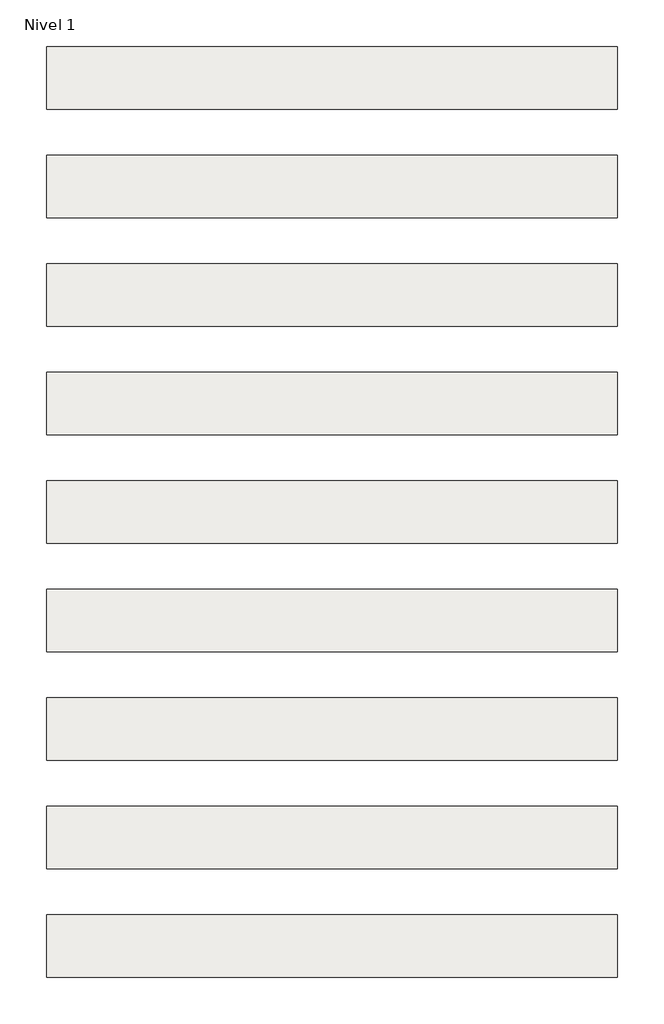
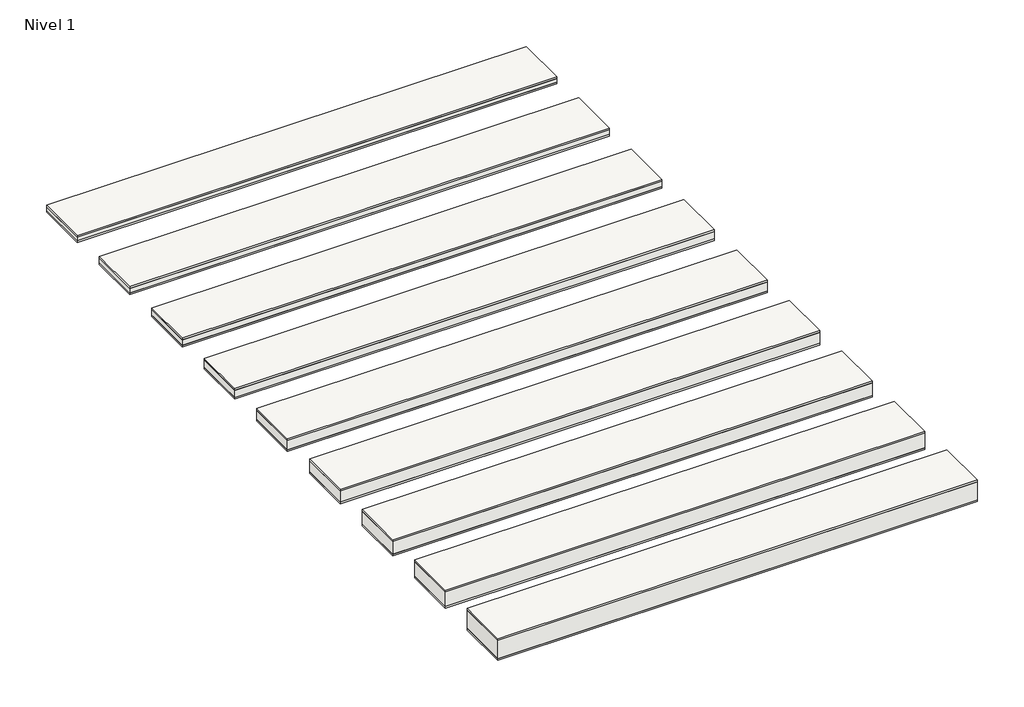
# One storey: 9 roofs.
"""IFC4 building model written with IfcOpenShell, lengths in millimetres."""

import ifcopenshell
import ifcopenshell.guid

model = None  # the IFC model being written
_history = None  # IfcOwnerHistory: only IFC2X3 demands one
_inside = {}  # id of a spatial element -> (the spatial element, [elements in it])
_under = {}  # id of a project, library or spatial element -> (it, [spatial elements below it])
_declared = {}  # id of a project -> (the project, [libraries it declares])
_typed = {}  # id of a type object -> (the type object, [elements of that type])
_made_of = {}  # id of a material, layer set ... -> (it, [elements and type objects made of it])


def new_model(schema):
    """Start an empty IFC model of exactly this schema.

    Asked for "IFC4X3", IfcOpenShell would pick the latest addendum, in which some entities
    have other attributes; the version numbers below select the first issue.
    IFC2X3 requires an IfcOwnerHistory on every rooted entity: one is made here for all.
    """
    global model, _history
    if schema == "IFC4X3":
        model = ifcopenshell.file(schema_version=(4, 3, 0, 0))
    else:
        model = ifcopenshell.file(schema=schema)
    _inside.clear()
    _under.clear()
    _declared.clear()
    _typed.clear()
    _made_of.clear()
    _history = None
    if model.schema == "IFC2X3":
        org = make("IfcOrganization", Name="unknown")
        user = make(
            "IfcPersonAndOrganization",
            ThePerson=make("IfcPerson", FamilyName="unknown"),
            TheOrganization=org,
        )
        app = make(
            "IfcApplication",
            ApplicationDeveloper=org,
            Version="unknown",
            ApplicationFullName="unknown",
            ApplicationIdentifier="unknown",
        )
        _history = make(
            "IfcOwnerHistory",
            OwningUser=user,
            OwningApplication=app,
            ChangeAction="ADDED",
            CreationDate=0,
        )
    return model


def make(cls, **values):
    """One entity of the class cls with the attributes given. An attribute that is None is left unset."""
    return model.create_entity(
        cls, **{name: value for name, value in values.items() if value is not None}
    )


def rooted(cls, **values):
    """An entity with a GlobalId (a new one), such as an element, a storey or a relation."""
    return make(cls, GlobalId=ifcopenshell.guid.new(), OwnerHistory=_history, **values)


def si_unit(unit_type, name, prefix=None):
    """IfcSIUnit, for example si_unit("LENGTHUNIT", "METRE", prefix="MILLI")."""
    return make("IfcSIUnit", UnitType=unit_type, Prefix=prefix, Name=name)


def assignment(units):
    """IfcUnitAssignment: the units of a project."""
    return None if units is None else make("IfcUnitAssignment", Units=units)


def point(xyz):
    """IfcCartesianPoint."""
    return None if xyz is None else make("IfcCartesianPoint", Coordinates=xyz)


def direction(xyz):
    """IfcDirection."""
    return None if xyz is None else make("IfcDirection", DirectionRatios=xyz)


def frame(location, z_axis=None, x_axis=None):
    """IfcAxis2Placement3D, a coordinate frame: its origin and axes. An axis left out is left unset."""
    return make(
        "IfcAxis2Placement3D",
        Location=point(location),
        Axis=direction(z_axis),
        RefDirection=direction(x_axis),
    )


def origin():
    """The frame at (0, 0, 0) with its axes left unset."""
    return frame((0.0, 0.0, 0.0))


def origin_with_axes():
    """The frame at (0, 0, 0) with the z axis (0, 0, 1) and the x axis (1, 0, 0) written out."""
    return frame((0.0, 0.0, 0.0), z_axis=(0.0, 0.0, 1.0), x_axis=(1.0, 0.0, 0.0))


def place(relative_to, where):
    """IfcLocalPlacement: puts the frame where relative to a parent placement (None: the world)."""
    return make(
        "IfcLocalPlacement", PlacementRelTo=relative_to, RelativePlacement=where
    )


def context(
    kind, dimensions, precision=None, world=None, true_north=None, identifier=None
):
    """IfcGeometricRepresentationContext, for example the 3D "Model" context."""
    return make(
        "IfcGeometricRepresentationContext",
        ContextIdentifier=identifier,
        ContextType=kind,
        CoordinateSpaceDimension=dimensions,
        Precision=precision,
        WorldCoordinateSystem=world,
        TrueNorth=true_north,
    )


def project(units=None, contexts=None):
    """IfcProject with its units and contexts."""
    return rooted(
        "IfcProject",
        Name="project",
        RepresentationContexts=contexts,
        UnitsInContext=assignment(units),
    )


def spatial(cls, under=None, at=None, **own):
    """A site, building, storey or space (cls), placed at a placement, below another one or the project."""
    s = rooted(cls, ObjectPlacement=at, **own)
    if under is not None:
        _under.setdefault(under.id(), (under, []))[1].append(s)
    return s


def polyline(points):
    """IfcPolyline through the points."""
    return make("IfcPolyline", Points=[point(p) for p in points])


def outline(outer, holes=None, kind="AREA"):
    """IfcArbitraryClosedProfileDef: a profile drawn as a closed curve; with holes, ...WithVoids."""
    if holes is None:
        return make("IfcArbitraryClosedProfileDef", ProfileType=kind, OuterCurve=outer)
    return make(
        "IfcArbitraryProfileDefWithVoids",
        ProfileType=kind,
        OuterCurve=outer,
        InnerCurves=holes,
    )


def extrude(swept, where, along, depth):
    """IfcExtrudedAreaSolid: the profile swept, set in the frame where, extruded along a direction by depth."""
    return make(
        "IfcExtrudedAreaSolid",
        SweptArea=swept,
        Position=where,
        ExtrudedDirection=direction(along),
        Depth=depth,
    )


def shape(context_of_items, identifier, shape_type, items):
    """IfcShapeRepresentation: the items that make up one representation, for example the "Body"."""
    return make(
        "IfcShapeRepresentation",
        ContextOfItems=context_of_items,
        RepresentationIdentifier=identifier,
        RepresentationType=shape_type,
        Items=items,
    )


def made_of(thing, what):
    """Note that an element or type object is made of a material, layer set ...; save() writes the relation."""
    if what is not None:
        _made_of.setdefault(what.id(), (what, []))[1].append(thing)
    return thing


def element(
    cls,
    number,
    at=None,
    inside=None,
    cuts=None,
    type_object=None,
    material=None,
    context=None,
    identifier="Body",
    shape_type=None,
    held_by="IfcProductDefinitionShape",
    body=None,
    shapes=None,
    **own,
):
    """One element of the class cls, such as IfcWall. Its Tag is "e" and its number.

    at: its placement. inside: the storey or other place that contains it. cuts: it is an
    opening in that element (IfcRelVoidsElement). A single representation is given by context,
    identifier, shape_type and body (its items); several are given by shapes. held_by: the class
    of the entity that holds the representations. save() writes the other relations.
    """
    e = rooted(cls, Tag="e%d" % number, ObjectPlacement=at, **own)
    if body is not None:
        shapes = [shape(context, identifier, shape_type, body)]
    if shapes is not None:
        e.Representation = make(held_by, Representations=shapes)
    if inside is not None:
        _inside.setdefault(inside.id(), (inside, []))[1].append(e)
    if cuts is not None:
        rooted(
            "IfcRelVoidsElement", RelatingBuildingElement=cuts, RelatedOpeningElement=e
        )
    if type_object is not None:
        _typed.setdefault(type_object.id(), (type_object, []))[1].append(e)
    return made_of(e, material)


def aggregate(whole, parts):
    """IfcRelAggregates: a whole, such as a stair, and the parts it consists of."""
    return rooted("IfcRelAggregates", RelatingObject=whole, RelatedObjects=parts)


def save(model, path):
    """Write the relations noted so far, then the file.

    IfcRelAggregates (storeys below a building ...), IfcRelContainedInSpatialStructure (elements
    in a storey), IfcRelDefinesByType, IfcRelAssociatesMaterial and IfcRelDeclares: one each for
    every whole, place, type object, material and project.
    """
    for whole, parts in _under.values():
        aggregate(whole, parts)
    for where, things in _inside.values():
        rooted(
            "IfcRelContainedInSpatialStructure",
            RelatedElements=things,
            RelatingStructure=where,
        )
    for kind, things in _typed.values():
        rooted("IfcRelDefinesByType", RelatedObjects=things, RelatingType=kind)
    for what, things in _made_of.values():
        rooted("IfcRelAssociatesMaterial", RelatedObjects=things, RelatingMaterial=what)
    for by, libraries in _declared.values():
        rooted("IfcRelDeclares", RelatingContext=by, RelatedDefinitions=libraries)
    model.write(path)


model = new_model("IFC4")

# Units and contexts
model_context = context("Model", 3, world=origin())
ifc_project = project(units=[si_unit("LENGTHUNIT", "METRE", prefix="MILLI")], contexts=[model_context])

# Site, building, storey
site = spatial("IfcSite", under=ifc_project)
building = spatial("IfcBuilding", under=site)
storey = spatial("IfcBuildingStorey", under=building, Name="Nivel 1", Elevation=0.0)

# Roofs
placement = place(None, origin())
element("IfcRoof", 1, at=placement, inside=storey, context=model_context, shape_type="SweptSolid", body=[
    extrude(outline(polyline([(-3824.6699095, -6894.5376473), (1175.3300905, -6894.5376473), (1175.3300905, -7444.5376473), (-3824.6699095, -7444.5376473), (-3824.6699095, -6894.5376473)])), frame((0.0, 0.0, 69.0), z_axis=(0.0, 0.0, 1.0), x_axis=(1.0, 0.0, 0.0)), (0.0, 0.0, 1.0), 19.0),
    extrude(outline(polyline([(-3824.6699095, -6894.5376473), (1175.3300905, -6894.5376473), (1175.3300905, -7444.5376473), (-3824.6699095, -7444.5376473), (-3824.6699095, -6894.5376473)])), frame((0.0, 0.0, 19.0), z_axis=(0.0, 0.0, 1.0), x_axis=(1.0, 0.0, 0.0)), (0.0, 0.0, 1.0), 50.0),
    extrude(outline(polyline([(-3824.6699095, -6894.5376473), (1175.3300905, -6894.5376473), (1175.3300905, -7444.5376473), (-3824.6699095, -7444.5376473), (-3824.6699095, -6894.5376473)])), origin_with_axes(), (0.0, 0.0, 1.0), 19.0),
])
element("IfcRoof", 2, at=placement, inside=storey, context=model_context, shape_type="SweptSolid", body=[
    extrude(outline(polyline([(-3824.6699095, -5944.5376473), (1175.3300905, -5944.5376473), (1175.3300905, -6494.5376473), (-3824.6699095, -6494.5376473), (-3824.6699095, -5944.5376473)])), frame((0.0, 0.0, 59.0), z_axis=(0.0, 0.0, 1.0), x_axis=(1.0, 0.0, 0.0)), (0.0, 0.0, 1.0), 19.0),
    extrude(outline(polyline([(-3824.6699095, -5944.5376473), (1175.3300905, -5944.5376473), (1175.3300905, -6494.5376473), (-3824.6699095, -6494.5376473), (-3824.6699095, -5944.5376473)])), frame((0.0, 0.0, 19.0), z_axis=(0.0, 0.0, 1.0), x_axis=(1.0, 0.0, 0.0)), (0.0, 0.0, 1.0), 40.0),
    extrude(outline(polyline([(-3824.6699095, -5944.5376473), (1175.3300905, -5944.5376473), (1175.3300905, -6494.5376473), (-3824.6699095, -6494.5376473), (-3824.6699095, -5944.5376473)])), origin_with_axes(), (0.0, 0.0, 1.0), 19.0),
])
element("IfcRoof", 3, at=placement, inside=storey, context=model_context, shape_type="SweptSolid", body=[
    extrude(outline(polyline([(-3824.6699095, -7844.5376473), (1175.3300905, -7844.5376473), (1175.3300905, -8394.5376473), (-3824.6699095, -8394.5376473), (-3824.6699095, -7844.5376473)])), frame((0.0, 0.0, 79.0), z_axis=(0.0, 0.0, 1.0), x_axis=(1.0, 0.0, 0.0)), (0.0, 0.0, 1.0), 19.0),
    extrude(outline(polyline([(-3824.6699095, -7844.5376473), (1175.3300905, -7844.5376473), (1175.3300905, -8394.5376473), (-3824.6699095, -8394.5376473), (-3824.6699095, -7844.5376473)])), frame((0.0, 0.0, 19.0), z_axis=(0.0, 0.0, 1.0), x_axis=(1.0, 0.0, 0.0)), (0.0, 0.0, 1.0), 60.0),
    extrude(outline(polyline([(-3824.6699095, -7844.5376473), (1175.3300905, -7844.5376473), (1175.3300905, -8394.5376473), (-3824.6699095, -8394.5376473), (-3824.6699095, -7844.5376473)])), origin_with_axes(), (0.0, 0.0, 1.0), 19.0),
])
element("IfcRoof", 4, at=placement, inside=storey, context=model_context, shape_type="SweptSolid", body=[
    extrude(outline(polyline([(-3824.6699095, -8794.5376473), (1175.3300905, -8794.5376473), (1175.3300905, -9344.5376473), (-3824.6699095, -9344.5376473), (-3824.6699095, -8794.5376473)])), frame((0.0, 0.0, 99.0), z_axis=(0.0, 0.0, 1.0), x_axis=(1.0, 0.0, 0.0)), (0.0, 0.0, 1.0), 19.0),
    extrude(outline(polyline([(-3824.6699095, -8794.5376473), (1175.3300905, -8794.5376473), (1175.3300905, -9344.5376473), (-3824.6699095, -9344.5376473), (-3824.6699095, -8794.5376473)])), frame((0.0, 0.0, 19.0), z_axis=(0.0, 0.0, 1.0), x_axis=(1.0, 0.0, 0.0)), (0.0, 0.0, 1.0), 80.0),
    extrude(outline(polyline([(-3824.6699095, -8794.5376473), (1175.3300905, -8794.5376473), (1175.3300905, -9344.5376473), (-3824.6699095, -9344.5376473), (-3824.6699095, -8794.5376473)])), origin_with_axes(), (0.0, 0.0, 1.0), 19.0),
])
element("IfcRoof", 5, at=placement, inside=storey, context=model_context, shape_type="SweptSolid", body=[
    extrude(outline(polyline([(-3824.6699095, -9744.5376473), (1175.3300905, -9744.5376473), (1175.3300905, -10294.5376473), (-3824.6699095, -10294.5376473), (-3824.6699095, -9744.5376473)])), frame((0.0, 0.0, 119.0), z_axis=(0.0, 0.0, 1.0), x_axis=(1.0, 0.0, 0.0)), (0.0, 0.0, 1.0), 19.0),
    extrude(outline(polyline([(-3824.6699095, -9744.5376473), (1175.3300905, -9744.5376473), (1175.3300905, -10294.5376473), (-3824.6699095, -10294.5376473), (-3824.6699095, -9744.5376473)])), frame((0.0, 0.0, 19.0), z_axis=(0.0, 0.0, 1.0), x_axis=(1.0, 0.0, 0.0)), (0.0, 0.0, 1.0), 100.0),
    extrude(outline(polyline([(-3824.6699095, -9744.5376473), (1175.3300905, -9744.5376473), (1175.3300905, -10294.5376473), (-3824.6699095, -10294.5376473), (-3824.6699095, -9744.5376473)])), origin_with_axes(), (0.0, 0.0, 1.0), 19.0),
])
element("IfcRoof", 6, at=placement, inside=storey, context=model_context, shape_type="SweptSolid", body=[
    extrude(outline(polyline([(-3824.6699095, -10694.5376473), (1175.3300905, -10694.5376473), (1175.3300905, -11244.5376473), (-3824.6699095, -11244.5376473), (-3824.6699095, -10694.5376473)])), frame((0.0, 0.0, 139.0), z_axis=(0.0, 0.0, 1.0), x_axis=(1.0, 0.0, 0.0)), (0.0, 0.0, 1.0), 19.0),
    extrude(outline(polyline([(-3824.6699095, -10694.5376473), (1175.3300905, -10694.5376473), (1175.3300905, -11244.5376473), (-3824.6699095, -11244.5376473), (-3824.6699095, -10694.5376473)])), frame((0.0, 0.0, 19.0), z_axis=(0.0, 0.0, 1.0), x_axis=(1.0, 0.0, 0.0)), (0.0, 0.0, 1.0), 120.0),
    extrude(outline(polyline([(-3824.6699095, -10694.5376473), (1175.3300905, -10694.5376473), (1175.3300905, -11244.5376473), (-3824.6699095, -11244.5376473), (-3824.6699095, -10694.5376473)])), origin_with_axes(), (0.0, 0.0, 1.0), 19.0),
])
element("IfcRoof", 7, at=placement, inside=storey, context=model_context, shape_type="SweptSolid", body=[
    extrude(outline(polyline([(-3824.6699095, -11644.5376473), (1175.3300905, -11644.5376473), (1175.3300905, -12194.5376473), (-3824.6699095, -12194.5376473), (-3824.6699095, -11644.5376473)])), frame((0.0, 0.0, 159.0), z_axis=(0.0, 0.0, 1.0), x_axis=(1.0, 0.0, 0.0)), (0.0, 0.0, 1.0), 19.0),
    extrude(outline(polyline([(-3824.6699095, -11644.5376473), (1175.3300905, -11644.5376473), (1175.3300905, -12194.5376473), (-3824.6699095, -12194.5376473), (-3824.6699095, -11644.5376473)])), frame((0.0, 0.0, 19.0), z_axis=(0.0, 0.0, 1.0), x_axis=(1.0, 0.0, 0.0)), (0.0, 0.0, 1.0), 140.0),
    extrude(outline(polyline([(-3824.6699095, -11644.5376473), (1175.3300905, -11644.5376473), (1175.3300905, -12194.5376473), (-3824.6699095, -12194.5376473), (-3824.6699095, -11644.5376473)])), origin_with_axes(), (0.0, 0.0, 1.0), 19.0),
])
element("IfcRoof", 8, at=placement, inside=storey, context=model_context, shape_type="SweptSolid", body=[
    extrude(outline(polyline([(-3824.6699095, -12594.5376473), (1175.3300905, -12594.5376473), (1175.3300905, -13144.5376473), (-3824.6699095, -13144.5376473), (-3824.6699095, -12594.5376473)])), frame((0.0, 0.0, 179.0), z_axis=(0.0, 0.0, 1.0), x_axis=(1.0, 0.0, 0.0)), (0.0, 0.0, 1.0), 19.0),
    extrude(outline(polyline([(-3824.6699095, -12594.5376473), (1175.3300905, -12594.5376473), (1175.3300905, -13144.5376473), (-3824.6699095, -13144.5376473), (-3824.6699095, -12594.5376473)])), frame((0.0, 0.0, 19.0), z_axis=(0.0, 0.0, 1.0), x_axis=(1.0, 0.0, 0.0)), (0.0, 0.0, 1.0), 160.0),
    extrude(outline(polyline([(-3824.6699095, -12594.5376473), (1175.3300905, -12594.5376473), (1175.3300905, -13144.5376473), (-3824.6699095, -13144.5376473), (-3824.6699095, -12594.5376473)])), origin_with_axes(), (0.0, 0.0, 1.0), 19.0),
])
element("IfcRoof", 9, at=placement, inside=storey, context=model_context, shape_type="SweptSolid", body=[
    extrude(outline(polyline([(-3824.6699095, -13544.5376473), (1175.3300905, -13544.5376473), (1175.3300905, -14094.5376473), (-3824.6699095, -14094.5376473), (-3824.6699095, -13544.5376473)])), frame((0.0, 0.0, 219.0), z_axis=(0.0, 0.0, 1.0), x_axis=(1.0, 0.0, 0.0)), (0.0, 0.0, 1.0), 19.0),
    extrude(outline(polyline([(-3824.6699095, -13544.5376473), (1175.3300905, -13544.5376473), (1175.3300905, -14094.5376473), (-3824.6699095, -14094.5376473), (-3824.6699095, -13544.5376473)])), frame((0.0, 0.0, 19.0), z_axis=(0.0, 0.0, 1.0), x_axis=(1.0, 0.0, 0.0)), (0.0, 0.0, 1.0), 200.0),
    extrude(outline(polyline([(-3824.6699095, -13544.5376473), (1175.3300905, -13544.5376473), (1175.3300905, -14094.5376473), (-3824.6699095, -14094.5376473), (-3824.6699095, -13544.5376473)])), origin_with_axes(), (0.0, 0.0, 1.0), 19.0),
])

save(model, "model.ifc")
